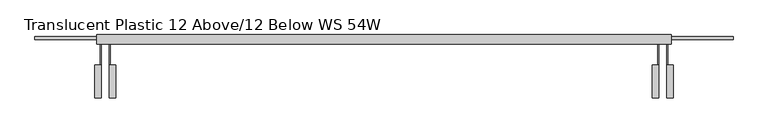
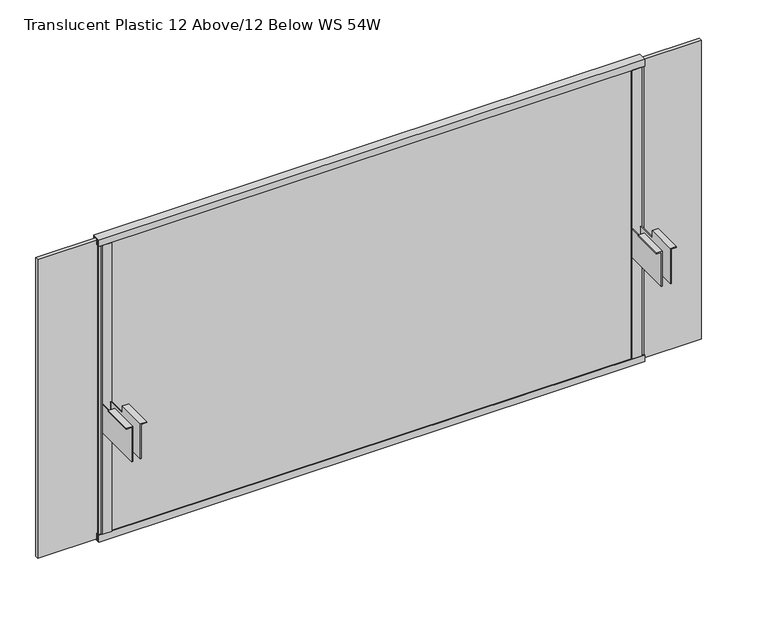
"""IFC4 building model written with IfcOpenShell, lengths in millimetres: furniture geometry, Translucent Plastic 12 Above/12 Below WS 54W."""

from ifc_helpers import new_model, si_unit, frame, origin, place, context, project, spatial, polyline, outline, extrude, faceted_brep, source, transform, mapped, element, save


def translucent_plastic_12_above_12_below_ws_54w_0e150f8c(model_context):
    return source(origin(), model_context, "Body", "SolidModel", [
        extrude(outline(polyline([(-532.4757006, -49.2113161), (-532.4757006, -51.894195), (-552.4146937, -51.894195), (-552.4146937, -49.2113161), (-532.4757006, -49.2113161)])), frame((0.0, 0.0, 410.057586), z_axis=(0.0, 0.0, 1.0), x_axis=(1.0, 0.0, 0.0)), (0.0, 0.0, 1.0), 625.3480281),
        extrude(outline(polyline([(552.45, -49.2113161), (552.45, -51.894195), (532.5110069, -51.894195), (532.5110069, -49.2113161), (552.45, -49.2113161)])), frame((0.0, 0.0, 410.057586), z_axis=(0.0, 0.0, 1.0), x_axis=(1.0, 0.0, 0.0)), (0.0, 0.0, 1.0), 625.3480281),
        faceted_brep([(-563.0826835, -156.7976225, 705.0008144), (-552.4146937, -156.7976225, 705.0008144), (-552.4146937, -156.7976225, 630.8328125), (-550.3826839, -156.7976225, 630.8328125), (-550.3826839, -156.7976225, 707.0328125), (-563.0826835, -156.7976225, 707.0328125), (-521.8076957, -156.7976225, 705.0008144), (-521.8076957, -156.7976225, 707.0328125), (-534.5076835, -156.7976225, 707.0328125), (-534.5076987, -156.7976225, 630.8328125), (-532.4757006, -156.7976225, 630.8328125), (-532.4757006, -156.7976225, 705.0008144), (-563.0826835, -93.169195, 705.0008144), (-563.0826835, -93.169195, 707.0328125), (-550.3826839, -93.169195, 707.0328125), (-550.3826839, -93.169195, 691.4499337), (-552.4146937, -93.169195, 691.4499337), (-552.4146937, -93.169195, 705.0008144), (-521.8076957, -93.169195, 705.0008144), (-532.4757006, -93.169195, 705.0008144), (-532.4757006, -93.169195, 691.4499337), (-534.5076835, -93.169195, 691.4499337), (-534.5076835, -93.169195, 707.0328125), (-521.8076957, -93.169195, 707.0328125), (-552.4146937, -52.0699564, 691.4499337), (-552.4146937, -52.0699564, 630.8328125), (-550.3826839, -52.9116265, 630.8328125), (-550.3826839, -52.9116265, 691.4499337), (-534.5076835, -52.9116171, 691.4499337), (-534.5076835, -52.9116171, 630.8328125), (-532.4757006, -52.0699352, 630.8328125), (-532.4757006, -52.0699352, 691.4499337), (-549.5560725, -49.2113161, 630.8328125), (-535.3343006, -49.2113161, 630.8328125), (-536.0316609, -51.3876186, 630.8328125), (-548.8587123, -51.3876186, 630.8328125), (-548.8587123, -51.3876186, 691.4499337), (-536.0316609, -51.3876186, 691.4499337), (-535.3343006, -49.2113161, 691.4499337), (-549.5560725, -49.2113161, 691.4499337)], [[[0, 1, 2, 3, 4, 5]], [[6, 7, 8, 9, 10, 11]], [[12, 13, 14, 15, 16, 17]], [[18, 19, 20, 21, 22, 23]], [[1, 0, 12, 17]], [[17, 16, 24, 25, 2, 1]], [[15, 14, 4, 3, 26, 27]], [[5, 4, 14, 13]], [[0, 5, 13, 12]], [[7, 6, 18, 23]], [[8, 7, 23, 22]], [[22, 21, 28, 29, 9, 8]], [[20, 19, 11, 10, 30, 31]], [[6, 11, 19, 18]], [[2, 25, 32, 33, 30, 10, 9, 29, 34, 35, 26, 3]], [[27, 36, 37, 28, 21, 20, 31, 38, 39, 24, 16, 15]], [[32, 25, 24, 39]], [[33, 32, 39, 38]], [[30, 33, 38, 31]], [[34, 29, 28, 37]], [[35, 34, 37, 36]], [[26, 35, 36, 27]]]),
        faceted_brep([(521.8430019, -156.7976225, 705.0008144), (532.5110069, -156.7976225, 705.0008144), (532.5110069, -156.7976225, 630.8328125), (534.5430168, -156.7976225, 630.8328125), (534.5429898, -156.7976225, 707.0328125), (521.8430019, -156.7976225, 707.0328125), (563.1179898, -156.7976225, 705.0008144), (563.1179898, -156.7976225, 707.0328125), (550.4180019, -156.7976225, 707.0328125), (550.4180019, -156.7976225, 630.8328125), (552.45, -156.7976225, 630.8328125), (552.45, -156.7976225, 705.0008144), (521.8430019, -93.169195, 705.0008144), (521.8430019, -93.169195, 707.0328125), (534.5429898, -93.169195, 707.0328125), (534.5429898, -93.169195, 691.4499337), (532.5110069, -93.169195, 691.4499337), (532.5110069, -93.169195, 705.0008144), (563.1179898, -93.169195, 705.0008144), (552.45, -93.169195, 705.0008144), (552.45, -93.169195, 691.4499337), (550.4180019, -93.169195, 691.4499337), (550.4180019, -93.169195, 707.0328125), (563.1179898, -93.169195, 707.0328125), (532.5110069, -52.0699564, 691.4499337), (532.5110069, -52.0699564, 630.8328125), (534.5429898, -52.9116265, 630.8328125), (534.5429898, -52.9116265, 691.4499337), (550.4180019, -52.9116171, 691.4499337), (550.4180019, -52.9116171, 630.8328125), (552.45, -52.0699352, 630.8328125), (552.45, -52.0699352, 691.4499337), (535.3696281, -49.2113161, 630.8328125), (549.5914, -49.2113161, 630.8328125), (548.8940397, -51.3876186, 630.8328125), (536.0669884, -51.3876186, 630.8328125), (536.0669884, -51.3876186, 691.4499337), (548.8940397, -51.3876186, 691.4499337), (549.5914, -49.2113161, 691.4499337), (535.3696281, -49.2113161, 691.4499337)], [[[0, 1, 2, 3, 4, 5]], [[6, 7, 8, 9, 10, 11]], [[12, 13, 14, 15, 16, 17]], [[18, 19, 20, 21, 22, 23]], [[1, 0, 12, 17]], [[17, 16, 24, 25, 2, 1]], [[15, 14, 4, 3, 26, 27]], [[5, 4, 14, 13]], [[0, 5, 13, 12]], [[7, 6, 18, 23]], [[8, 7, 23, 22]], [[22, 21, 28, 29, 9, 8]], [[20, 19, 11, 10, 30, 31]], [[6, 11, 19, 18]], [[2, 25, 32, 33, 30, 10, 9, 29, 34, 35, 26, 3]], [[27, 36, 37, 28, 21, 20, 31, 38, 39, 24, 16, 15]], [[32, 25, 24, 39]], [[33, 32, 39, 38]], [[30, 33, 38, 31]], [[34, 29, 28, 37]], [[35, 34, 37, 36]], [[26, 35, 36, 27]]]),
        faceted_brep([(-558.8, -51.894195, 1035.405614), (-558.8, -51.894195, 1050.1376), (-558.8, -33.8601849, 1050.1376), (-558.8, -33.8601849, 1035.405614), (-558.8, -35.892183, 1035.405614), (-558.8, -35.892183, 1048.1056019), (-558.8, -44.401193, 1048.1056019), (-558.8, -44.401193, 1035.405614), (-558.8, -46.4331911, 1035.405614), (-558.8, -46.4331911, 1048.1056019), (-558.8, -49.8621787, 1048.1056019), (-558.8, -49.8621787, 1035.405614), (558.8, -51.894195, 1035.405614), (558.8, -49.8621787, 1035.405614), (558.8, -49.8621787, 1048.1056019), (558.8, -46.4331911, 1048.1056019), (558.8, -46.4331911, 1035.405614), (558.8, -44.401193, 1035.405614), (558.8, -44.401193, 1048.1056019), (558.8, -35.892183, 1048.1056019), (558.8, -35.892183, 1035.405614), (558.8, -33.8601849, 1035.405614), (558.8, -33.8601849, 1050.1376), (558.8, -51.894195, 1050.1376)], [[[0, 1, 2, 3, 4, 5, 6, 7, 8, 9, 10, 11]], [[12, 13, 14, 15, 16, 17, 18, 19, 20, 21, 22, 23]], [[2, 1, 23, 22]], [[3, 2, 22, 21]], [[4, 3, 21, 20]], [[5, 4, 20, 19]], [[6, 5, 19, 18]], [[7, 6, 18, 17]], [[8, 7, 17, 16]], [[9, 8, 16, 15]], [[10, 9, 15, 14]], [[11, 10, 14, 13]], [[0, 11, 13, 12]], [[1, 0, 12, 23]]]),
        faceted_brep([(-558.8, -51.894195, 395.3256), (-558.8, -51.894195, 410.057586), (-558.8, -49.8621787, 410.057586), (-558.8, -49.8621787, 397.3575981), (-558.8, -46.4331911, 397.3575981), (-558.8, -46.4331911, 410.057586), (-558.8, -44.401193, 410.057586), (-558.8, -44.401193, 397.3575981), (-558.8, -35.892183, 397.3575981), (-558.8, -35.892183, 410.057586), (-558.8, -33.8601849, 410.057586), (-558.8, -33.8601849, 395.3256), (558.8, -51.894195, 410.057586), (558.8, -51.894195, 395.3256), (558.8, -33.8601849, 395.3256), (558.8, -33.8601849, 410.057586), (558.8, -35.892183, 410.057586), (558.8, -35.892183, 397.3575981), (558.8, -44.401193, 397.3575981), (558.8, -44.401193, 410.057586), (558.8, -46.4331911, 410.057586), (558.8, -46.4331911, 397.3575981), (558.8, -49.8621787, 397.3575981), (558.8, -49.8621787, 410.057586)], [[[0, 1, 2, 3, 4, 5, 6, 7, 8, 9, 10, 11]], [[12, 13, 14, 15, 16, 17, 18, 19, 20, 21, 22, 23]], [[1, 0, 13, 12]], [[2, 1, 12, 23]], [[3, 2, 23, 22]], [[4, 3, 22, 21]], [[5, 4, 21, 20]], [[6, 5, 20, 19]], [[7, 6, 19, 18]], [[8, 7, 18, 17]], [[9, 8, 17, 16]], [[10, 9, 16, 15]], [[11, 10, 15, 14]], [[0, 11, 14, 13]]]),
        extrude(outline(polyline([(558.8, -47.2269411), (558.8, -49.2113161), (-558.8, -49.2113161), (-558.8, -47.2269411), (558.8, -47.2269411)])), frame((0.0, 0.0, 397.3575981), z_axis=(0.0, 0.0, 1.0), x_axis=(1.0, 0.0, 0.0)), (0.0, 0.0, 1.0), 650.7480039),
        extrude(outline(polyline([(679.45, -36.9716865), (679.45, -43.3216804), (-679.45, -43.3216804), (-679.45, -36.9716865), (679.45, -36.9716865)])), frame((0.0, 0.0, 397.3575981), z_axis=(0.0, 0.0, 1.0), x_axis=(1.0, 0.0, 0.0)), (0.0, 0.0, 1.0), 647.4031796),
    ])


if __name__ == "__main__":
    model = new_model("IFC4")
    model_context = context("Model", 3, world=origin())
    ifc_project = project(units=[si_unit("LENGTHUNIT", "METRE", prefix="MILLI")], contexts=[model_context])
    site = spatial("IfcSite", under=ifc_project)
    building = spatial("IfcBuilding", under=site)
    placement = place(None, origin())
    translucent_plastic_12_above_12_below_ws_54w_shape = translucent_plastic_12_above_12_below_ws_54w_0e150f8c(model_context)
    element("IfcFurniture", 1, ObjectType="Translucent Plastic 12 Above/12 Below WS 54W", at=placement, inside=building, context=model_context, shape_type="MappedRepresentation", body=[
        mapped(translucent_plastic_12_above_12_below_ws_54w_shape, transform((0.0, 0.0, 0.0), x_axis=(1.0, 0.0, 0.0), y_axis=(0.0, 1.0, 0.0), z_axis=(0.0, 0.0, 1.0))),
    ])
    save(model, "model.ifc")
